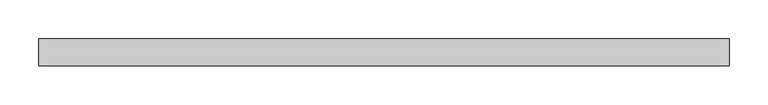
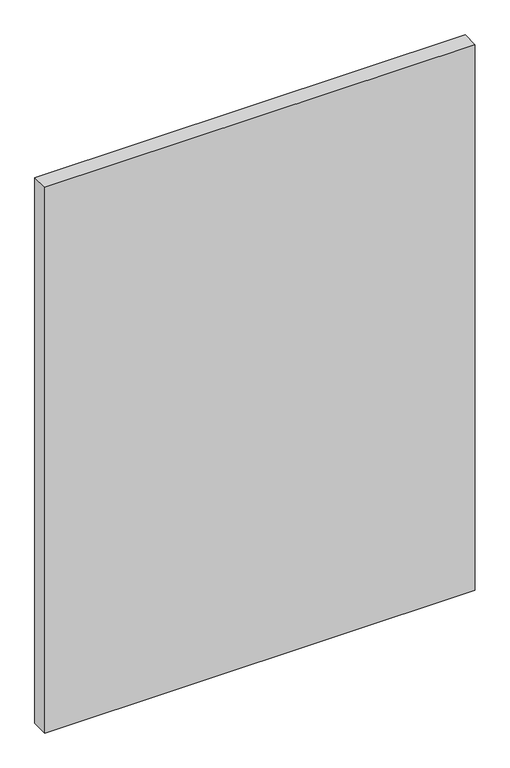
"""IFC4 building model written with IfcOpenShell, lengths in millimetres: plate geometry."""

from ifc_helpers import new_model, si_unit, origin, origin_with_axes, place, context, project, spatial, polyline, outline, extrude, source, transform, mapped, element, save


def plate_52ee92c7(model_context):
    return source(origin(), model_context, "Body", "SweptSolid", [
        extrude(outline(polyline([(445.5299082, -17.5), (-445.5299082, -17.5), (-445.5299082, 17.5), (445.5299082, 17.5), (445.5299082, -17.5)])), origin_with_axes(), (0.0, 0.0, 1.0), 1193.8125),
    ])


if __name__ == "__main__":
    model = new_model("IFC4")
    model_context = context("Model", 3, world=origin())
    ifc_project = project(units=[si_unit("LENGTHUNIT", "METRE", prefix="MILLI")], contexts=[model_context])
    site = spatial("IfcSite", under=ifc_project)
    building = spatial("IfcBuilding", under=site)
    placement = place(None, origin())
    plate_shape = plate_52ee92c7(model_context)
    element("IfcPlate", 1, at=placement, inside=building, context=model_context, shape_type="MappedRepresentation", body=[
        mapped(plate_shape, transform((0.0, 0.0, 0.0), x_axis=(1.0, 0.0, 0.0), y_axis=(0.0, 1.0, 0.0), z_axis=(0.0, 0.0, 1.0))),
    ])
    save(model, "model.ifc")
